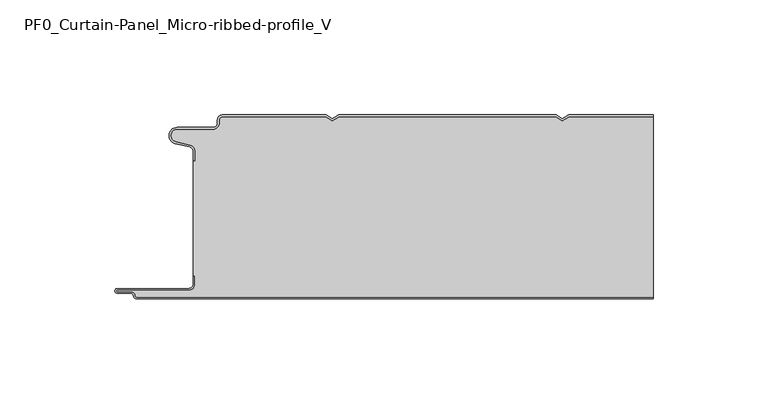
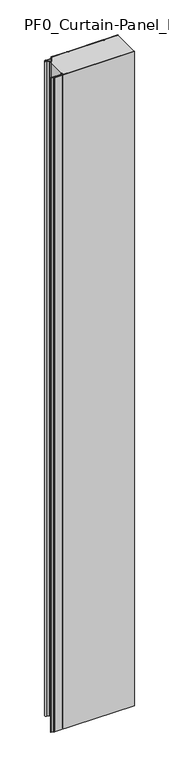
"""IFC4 building model written with IfcOpenShell, lengths in millimetres: plate geometry, PF0_Curtain-Panel_Micro-ribbed-profile_V."""

from ifc_helpers import new_model, si_unit, point, frame_2d, origin, origin_with_axes, place, context, project, spatial, polyline, circle_curve, trimmed, segment, composite_curve, outline, extrude, source, transform, mapped, element, save


def pf0_curtain_panel_micro_ribbed_profile_v_a61b7117(model_context):
    return source(origin(), model_context, "Body", "SweptSolid", [
        extrude(outline(composite_curve([segment(trimmed(circle_curve(frame_2d((-102.0119739, -15.878557)), 2.0), [point((-100.0119739, -15.878557))], [point((-101.5620718, -13.9298169))], True, "CARTESIAN"), True, "CONTINUOUS"), segment(polyline([(-101.5620718, -13.9298169), (-107.7217978, -12.507732)]), True, "CONTINUOUS"), segment(trimmed(circle_curve(frame_2d((-106.9119739, -9.0)), 3.6), [point((-107.7217978, -12.507732))], [point((-106.9119739, -5.4))], False, "CARTESIAN"), True, "CONTINUOUS"), segment(polyline([(-106.9119739, -5.4), (-91.4119739, -5.4)]), True, "CONTINUOUS"), segment(trimmed(circle_curve(frame_2d((-91.4119739, -3.4)), 2.0), [point((-91.4119739, -5.4))], [point((-89.4119739, -3.4))], True, "CARTESIAN"), True, "CONTINUOUS"), segment(polyline([(-89.4119739, -3.4), (-89.4119739, -2.0)]), True, "CONTINUOUS"), segment(trimmed(circle_curve(frame_2d((-87.4119739, -2.0)), 2.0), [point((-89.4119739, -2.0))], [point((-87.4119739, 0.0))], False, "CARTESIAN"), True, "CONTINUOUS"), segment(polyline([(-87.4119739, 0.0), (-42.1119734, 0.0), (-39.4119739, -1.5588455), (-36.7119745, 0.0), (57.8880266, 0.0), (60.5880261, -1.5588455), (63.2880255, 0.0), (100.0119739, 0.0), (100.0119739, -0.8), (63.5023849, -0.8), (60.5880261, -2.482606), (57.6736672, -0.8), (-36.4976151, -0.8), (-39.4119739, -2.482606), (-42.3263328, -0.8), (-87.4119739, -0.8)]), True, "CONTINUOUS"), segment(trimmed(circle_curve(frame_2d((-87.4119739, -2.0)), 1.2), [point((-87.4119739, -0.8))], [point((-88.6119739, -2.0))], True, "CARTESIAN"), True, "CONTINUOUS"), segment(polyline([(-88.6119739, -2.0), (-88.6119739, -3.4)]), True, "CONTINUOUS"), segment(trimmed(circle_curve(frame_2d((-91.4119739, -3.4)), 2.8), [point((-88.6119739, -3.4))], [point((-91.4119739, -6.2))], False, "CARTESIAN"), True, "CONTINUOUS"), segment(polyline([(-91.4119739, -6.2), (-106.9119739, -6.2)]), True, "CONTINUOUS"), segment(trimmed(circle_curve(frame_2d((-106.9119739, -9.0)), 2.8), [point((-106.9119739, -6.2))], [point((-107.541837, -11.7282362))], True, "CARTESIAN"), True, "CONTINUOUS"), segment(polyline([(-107.541837, -11.7282362), (-101.3821109, -13.150321)]), True, "CONTINUOUS"), segment(trimmed(circle_curve(frame_2d((-102.0119739, -15.878557)), 2.8), [point((-101.3821109, -13.150321))], [point((-99.2119739, -15.878557))], False, "CARTESIAN"), True, "CONTINUOUS"), segment(polyline([(-99.2119739, -15.878557), (-99.2119739, -20.0), (-100.0119739, -20.0), (-100.0119739, -15.878557)]), True, "CONTINUOUS")], self_intersect=False)), origin_with_axes(), (0.0, 0.0, 1.0), 1945.7507136),
        extrude(outline(composite_curve([segment(polyline([(-99.2119739, -70.0), (-100.0119739, -70.0), (-100.0119739, -20.0), (-99.2119739, -20.0), (-99.2119739, -15.878557)]), True, "CONTINUOUS"), segment(trimmed(circle_curve(frame_2d((-102.0119739, -15.878557)), 2.8), [point((-99.2119739, -15.878557))], [point((-101.3821109, -13.1503208))], True, "CARTESIAN"), True, "CONTINUOUS"), segment(polyline([(-101.3821109, -13.1503208), (-107.5418369, -11.7282362)]), True, "CONTINUOUS"), segment(trimmed(circle_curve(frame_2d((-106.9119739, -9.0)), 2.8), [point((-107.5418369, -11.7282362))], [point((-106.9119739, -6.2))], False, "CARTESIAN"), True, "CONTINUOUS"), segment(polyline([(-106.9119739, -6.2), (-91.4119739, -6.2)]), True, "CONTINUOUS"), segment(trimmed(circle_curve(frame_2d((-91.4119739, -3.4)), 2.8), [point((-91.4119739, -6.2))], [point((-88.6119739, -3.4))], True, "CARTESIAN"), True, "CONTINUOUS"), segment(polyline([(-88.6119739, -3.4), (-88.6119739, -2.0)]), True, "CONTINUOUS"), segment(trimmed(circle_curve(frame_2d((-87.4119739, -2.0)), 1.2), [point((-88.6119739, -2.0))], [point((-87.4119739, -0.8))], False, "CARTESIAN"), True, "CONTINUOUS"), segment(polyline([(-87.4119739, -0.8), (-42.3263328, -0.8), (-39.4119739, -2.482606), (-36.4976151, -0.8), (57.6736672, -0.8), (60.5880261, -2.482606), (63.5023849, -0.8), (100.0119739, -0.8), (100.0119739, -79.2), (-124.4119739, -79.2)]), True, "CONTINUOUS"), segment(trimmed(circle_curve(frame_2d((-124.4119739, -78.4)), 0.8), [point((-124.4119739, -79.2))], [point((-125.2119739, -78.4))], False, "CARTESIAN"), True, "CONTINUOUS"), segment(trimmed(circle_curve(frame_2d((-126.9119739, -78.6133333)), 1.7133333), [point((-125.2119739, -78.4))], [point((-126.9119739, -76.9))], True, "CARTESIAN"), True, "CONTINUOUS"), segment(polyline([(-126.9119739, -76.9), (-132.8820051, -76.9)]), True, "CONTINUOUS"), segment(trimmed(circle_curve(frame_2d((-132.8820051, -76.6)), 0.3), [point((-132.8820051, -76.9))], [point((-132.8820051, -76.3))], False, "CARTESIAN"), True, "CONTINUOUS"), segment(polyline([(-132.8820051, -76.3), (-102.0119739, -76.3)]), True, "CONTINUOUS"), segment(trimmed(circle_curve(frame_2d((-102.0119739, -73.5)), 2.8), [point((-102.0119739, -76.3))], [point((-99.2119739, -73.5))], True, "CARTESIAN"), True, "CONTINUOUS"), segment(polyline([(-99.2119739, -73.5), (-99.2119739, -70.0)]), True, "CONTINUOUS")], self_intersect=False)), origin_with_axes(), (0.0, 0.0, 1.0), 1945.7507136),
        extrude(outline(composite_curve([segment(polyline([(-100.0119739, -70.0), (-99.2119739, -70.0), (-99.2119739, -73.5)]), True, "CONTINUOUS"), segment(trimmed(circle_curve(frame_2d((-102.0119739, -73.5)), 2.8), [point((-99.2119739, -73.5))], [point((-102.0119739, -76.3))], False, "CARTESIAN"), True, "CONTINUOUS"), segment(polyline([(-102.0119739, -76.3), (-132.8820051, -76.3)]), True, "CONTINUOUS"), segment(trimmed(circle_curve(frame_2d((-132.8820051, -76.6)), 0.3), [point((-132.8820051, -76.3))], [point((-132.8820051, -76.9))], True, "CARTESIAN"), True, "CONTINUOUS"), segment(polyline([(-132.8820051, -76.9), (-126.9119739, -76.9)]), True, "CONTINUOUS"), segment(trimmed(circle_curve(frame_2d((-126.9119739, -78.6133333)), 1.7133333), [point((-126.9119739, -76.9))], [point((-125.2119739, -78.4))], False, "CARTESIAN"), True, "CONTINUOUS"), segment(trimmed(circle_curve(frame_2d((-124.4119739, -78.4)), 0.8), [point((-125.2119739, -78.4))], [point((-124.4119739, -79.2))], True, "CARTESIAN"), True, "CONTINUOUS"), segment(polyline([(-124.4119739, -79.2), (100.0119739, -79.2), (100.0119739, -80.0), (-124.4119739, -80.0)]), True, "CONTINUOUS"), segment(trimmed(circle_curve(frame_2d((-124.4119739, -78.4)), 1.6), [point((-124.4119739, -80.0))], [point((-126.0119739, -78.4))], False, "CARTESIAN"), True, "CONTINUOUS"), segment(trimmed(circle_curve(frame_2d((-126.9119739, -78.4)), 0.9), [point((-126.0119739, -78.4))], [point((-126.9119739, -77.5))], True, "CARTESIAN"), True, "CONTINUOUS"), segment(polyline([(-126.9119739, -77.5), (-133.0119739, -77.5)]), True, "CONTINUOUS"), segment(trimmed(circle_curve(frame_2d((-133.0119739, -76.5)), 1.0), [point((-133.0119739, -77.5))], [point((-133.0119739, -75.5))], False, "CARTESIAN"), True, "CONTINUOUS"), segment(polyline([(-133.0119739, -75.5), (-102.0119739, -75.5)]), True, "CONTINUOUS"), segment(trimmed(circle_curve(frame_2d((-102.0119739, -73.5)), 2.0), [point((-102.0119739, -75.5))], [point((-100.0119739, -73.5))], True, "CARTESIAN"), True, "CONTINUOUS"), segment(polyline([(-100.0119739, -73.5), (-100.0119739, -70.0)]), True, "CONTINUOUS")], self_intersect=False)), origin_with_axes(), (0.0, 0.0, 1.0), 1945.7507136),
    ])


if __name__ == "__main__":
    model = new_model("IFC4")
    model_context = context("Model", 3, world=origin())
    ifc_project = project(units=[si_unit("LENGTHUNIT", "METRE", prefix="MILLI")], contexts=[model_context])
    site = spatial("IfcSite", under=ifc_project)
    building = spatial("IfcBuilding", under=site)
    placement = place(None, origin())
    pf0_curtain_panel_micro_ribbed_profile_v_shape = pf0_curtain_panel_micro_ribbed_profile_v_a61b7117(model_context)
    element("IfcPlate", 1, ObjectType="PF0_Curtain-Panel_Micro-ribbed-profile_V", at=placement, inside=building, context=model_context, shape_type="MappedRepresentation", body=[
        mapped(pf0_curtain_panel_micro_ribbed_profile_v_shape, transform((0.0, 0.0, 0.0), x_axis=(1.0, 0.0, 0.0), y_axis=(0.0, 1.0, 0.0), z_axis=(0.0, 0.0, 1.0))),
    ])
    save(model, "model.ifc")
